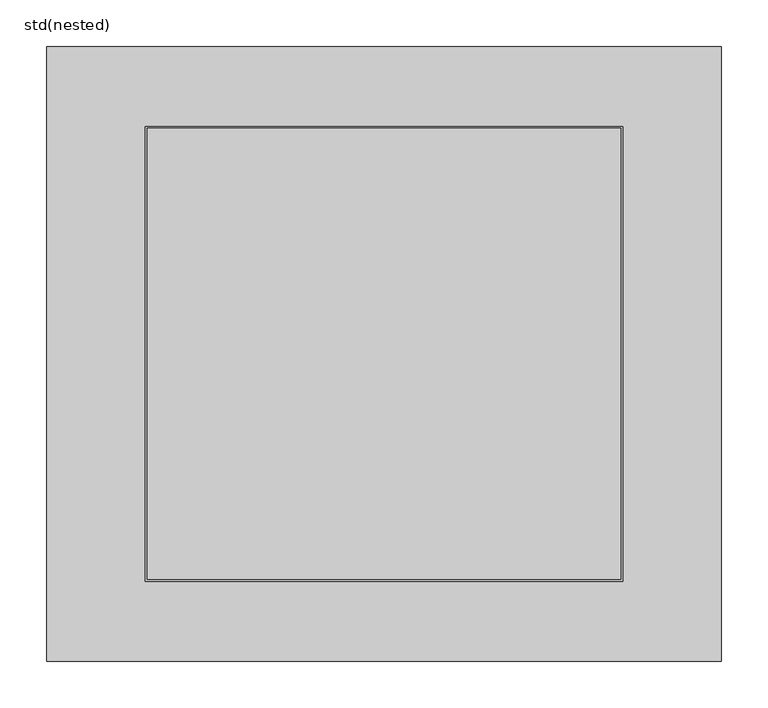
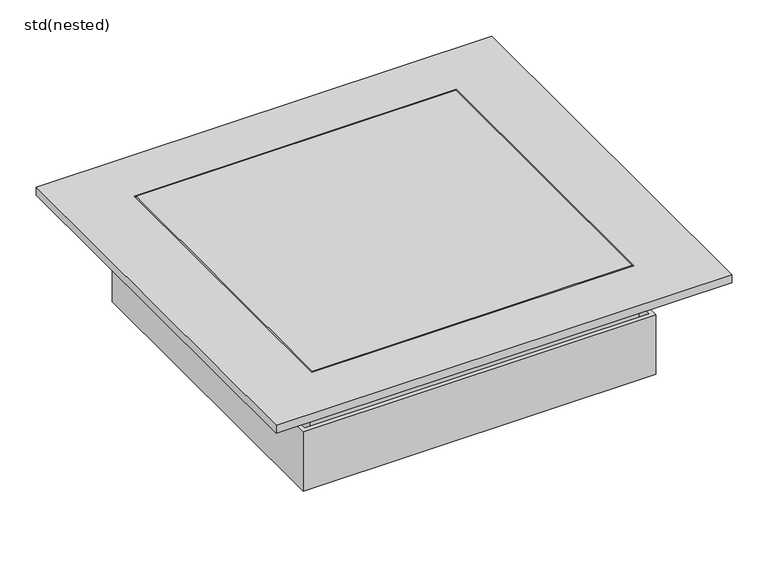
"""IFC4 building model written with IfcOpenShell, lengths in millimetres: sanitary terminal geometry, std(nested)."""

from ifc_helpers import new_model, si_unit, frame, origin, place, context, project, spatial, polyline, circle_curve, outline, extrude, faceted_brep, source, transform, mapped, element, save
from ifc_brep_helpers import plane_surface, cylinder_surface, revolved_surface, advanced_brep


def std_nested_72295a13(model_context):
    return source(origin(), model_context, "Body", "SolidModel", [
        advanced_brep(
        [(273.3618608, 255.7618608, -80.0), (270.4003842, 252.8003842, -174.0), (270.4003842, -252.8003842, -174.0), (273.3618608, -255.7618608, -80.0), (-270.4003842, -252.8003842, -174.0), (-273.3618608, -255.7618608, -80.0), (-270.4003842, 252.8003842, -174.0), (-273.3618608, 255.7618608, -80.0), (280.1, -262.5, -180.0), (-280.1, -262.5, -180.0), (-280.1, 262.5, -180.0), (280.1, 262.5, -180.0), (-175.5, 0.0, -180.0), (175.5, 0.0, -180.0), (-175.5, 0.0, -174.0), (175.5, 0.0, -174.0), (280.1, 262.5, -80.0), (-280.1, 262.5, -80.0), (-280.1, -262.5, -80.0), (280.1, -262.5, -80.0)],
        [
            (0, 1),
            (1, 2),
            (2, 3),
            (3, 0),
            (2, 4),
            (4, 5),
            (5, 3),
            (4, 6),
            (6, 7),
            (7, 5),
            (8, 9),
            (9, 10),
            (10, 11),
            (11, 8),
            (12, 13, circle_curve(frame((0.0, 0.0, -180.0), z_axis=(0.0, 0.0, 1.0), x_axis=(-1.0, 0.0, 0.0)), 175.5)),
            (13, 12, circle_curve(frame((0.0, 0.0, -180.0), z_axis=(0.0, 0.0, 1.0), x_axis=(-1.0, 0.0, 0.0)), 175.5)),
            (1, 6),
            (14, 15, circle_curve(frame((0.0, 0.0, -174.0), z_axis=(0.0, 0.0, -1.0), x_axis=(-1.0, 0.0, 0.0)), 175.5)),
            (15, 14, circle_curve(frame((0.0, 0.0, -174.0), z_axis=(0.0, 0.0, -1.0), x_axis=(-1.0, 0.0, 0.0)), 175.5)),
            (0, 7),
            (16, 17),
            (17, 18),
            (18, 19),
            (19, 16),
            (11, 16),
            (19, 8),
            (18, 9),
            (17, 10),
            (14, 12),
            (13, 15),
        ],
        [
            plane_surface(frame((270.4003842, 252.8003842, -174.0), z_axis=(-0.9995040844087114, 0.0, 0.031489446649689445), x_axis=(0.0, -1.0, 0.0))),
            plane_surface(frame((270.4003842, -252.8003842, -174.0), z_axis=(0.0, 0.9995040844087115, 0.03148944664968624), x_axis=(-1.0, 0.0, 0.0))),
            plane_surface(frame((-270.4003842, -252.8003842, -174.0), z_axis=(0.9995040844087116, 0.0, 0.031489446649683034), x_axis=(0.0, 1.0, 0.0))),
            plane_surface(frame((-280.1, 262.5, -180.0), z_axis=(0.0, 0.0, -1.0), x_axis=(1.0, 0.0, 0.0))),
            plane_surface(frame((-247.2589036, 229.6589036, -174.0), z_axis=(0.0, 0.0, 1.0), x_axis=(1.0, 0.0, 0.0))),
            plane_surface(frame((-270.4003842, 252.8003842, -174.0), z_axis=(0.0, -0.9995040844087115, 0.03148944664968624), x_axis=(1.0, 0.0, 0.0))),
            plane_surface(frame((-273.3618608, 255.7618608, -80.0), z_axis=(0.0, 0.0, 1.0), x_axis=(1.0, 0.0, 0.0))),
            plane_surface(frame((280.1, 262.5, -80.0), z_axis=(1.0, 0.0, 0.0), x_axis=(0.0, -1.0, 0.0))),
            plane_surface(frame((280.1, -262.5, -80.0), z_axis=(0.0, -1.0, 0.0), x_axis=(-1.0, 0.0, 0.0))),
            plane_surface(frame((-280.1, -262.5, -80.0), z_axis=(-1.0, 0.0, 0.0), x_axis=(0.0, 1.0, 0.0))),
            plane_surface(frame((-280.1, 262.5, -80.0), z_axis=(0.0, 1.0, 0.0), x_axis=(1.0, 0.0, 0.0))),
            revolved_surface(polyline([(-175.5, 0.0, -180.0), (-175.5, 0.0, -174.0)]), (0.0, 0.0, -130.0), (0.0, 0.0, -1.0)),
        ],
        [
            (0, [[1, 2, 3, 4]]),
            (1, [[-3, 5, 6, 7]]),
            (2, [[-6, 8, 9, 10]]),
            (3, [[11, 12, 13, 14], [15, 16]]),
            (4, [[-2, 17, -8, -5], [18, 19]]),
            (5, [[-1, 20, -9, -17]]),
            (6, [[21, 22, 23, 24], [-4, -7, -10, -20]]),
            (7, [[-14, 25, -24, 26]]),
            (8, [[-11, -26, -23, 27]]),
            (9, [[-12, -27, -22, 28]]),
            (10, [[-13, -28, -21, -25]]),
            (11, [[-18, 29, -16, 30]]),
            (11, [[-19, -30, -15, -29]]),
        ],
    ),
        advanced_brep(
        [(184.0, 0.0, -180.0), (-184.0, 0.0, -180.0), (-176.0, 0.0, -180.0), (176.0, 0.0, -180.0), (184.0, 0.0, -190.0), (-184.0, 0.0, -190.0), (176.0, 0.0, -190.0), (-176.0, 0.0, -190.0)],
        [
            (0, 1, circle_curve(frame((0.0, 0.0, -180.0), z_axis=(0.0, 0.0, 1.0), x_axis=(-1.0, 0.0, 0.0)), 184.0)),
            (1, 2),
            (2, 3, circle_curve(frame((0.0, 0.0, -180.0), z_axis=(0.0, 0.0, -1.0), x_axis=(-1.0, 0.0, 0.0)), 176.0)),
            (3, 0),
            (1, 0, circle_curve(frame((0.0, 0.0, -180.0), z_axis=(0.0, 0.0, 1.0), x_axis=(-1.0, 0.0, 0.0)), 184.0)),
            (3, 2, circle_curve(frame((0.0, 0.0, -180.0), z_axis=(0.0, 0.0, -1.0), x_axis=(-1.0, 0.0, 0.0)), 176.0)),
            (4, 5, circle_curve(frame((0.0, 0.0, -190.0), z_axis=(0.0, 0.0, 1.0), x_axis=(-1.0, 0.0, 0.0)), 184.0)),
            (5, 1),
            (0, 4),
            (5, 4, circle_curve(frame((0.0, 0.0, -190.0), z_axis=(0.0, 0.0, 1.0), x_axis=(-1.0, 0.0, 0.0)), 184.0)),
            (6, 7, circle_curve(frame((0.0, 0.0, -190.0), z_axis=(0.0, 0.0, 1.0), x_axis=(-1.0, 0.0, 0.0)), 176.0)),
            (7, 5),
            (4, 6),
            (7, 6, circle_curve(frame((0.0, 0.0, -190.0), z_axis=(0.0, 0.0, 1.0), x_axis=(-1.0, 0.0, 0.0)), 176.0)),
            (2, 7),
            (6, 3),
        ],
        [
            plane_surface(frame((0.0, 0.0, -180.0), z_axis=(0.0, 0.0, 1.0), x_axis=(-1.0, 0.0, 0.0))),
            cylinder_surface(frame((0.0, 0.0, -135.0), z_axis=(0.0, 0.0, -1.0), x_axis=(-1.0, 0.0, 0.0)), 184.0),
            plane_surface(frame((0.0, 0.0, -190.0), z_axis=(0.0, 0.0, -1.0), x_axis=(-1.0, 0.0, 0.0))),
            revolved_surface(polyline([(-176.0, 0.0, -190.0), (-176.0, 0.0, -180.0)]), (0.0, 0.0, -135.0), (0.0, 0.0, -1.0)),
        ],
        [
            (0, [[1, 2, 3, 4]]),
            (0, [[5, -4, 6, -2]]),
            (1, [[7, 8, -1, 9]]),
            (1, [[10, -9, -5, -8]]),
            (2, [[11, 12, -7, 13]]),
            (2, [[14, -13, -10, -12]]),
            (3, [[-3, 15, -11, 16]]),
            (3, [[-6, -16, -14, -15]]),
        ],
    ),
        extrude(outline(polyline([(254.0000122, 242.273901), (254.0000122, -242.273901), (-254.0000122, -242.273901), (-254.0000122, 242.273901), (254.0000122, 242.273901)])), frame((0.0, 0.0, -13.5), z_axis=(0.0, 0.0, 1.0), x_axis=(1.0, 0.0, 0.0)), (0.0, 0.0, 1.0), 13.5),
        faceted_brep([(256.0000122, 244.273901, -130.0), (256.0000122, -244.273901, -130.0), (256.0000122, -244.273901, 0.0), (256.0000122, 244.273901, 0.0), (-256.0000122, -244.273901, -130.0), (-256.0000122, -244.273901, 0.0), (-256.0000122, 244.273901, -130.0), (-256.0000122, 244.273901, 0.0), (261.0000122, 249.273901, -130.0), (261.0000122, 249.273901, -13.5), (261.0000122, -249.273901, -13.5), (261.0000122, -249.273901, -130.0), (-261.0000122, -249.273901, -13.5), (-261.0000122, -249.273901, -130.0), (-261.0000122, 249.273901, -13.5), (-261.0000122, 249.273901, -130.0), (362.0, 330.0, 0.0), (-362.0, 330.0, 0.0), (-362.0, -330.0, 0.0), (362.0, -330.0, 0.0), (362.0, 330.0, -13.5), (362.0, -330.0, -13.5), (-362.0, -330.0, -13.5), (-362.0, 330.0, -13.5)], [[[0, 1, 2, 3]], [[2, 1, 4, 5]], [[5, 4, 6, 7]], [[0, 3, 7, 6]], [[8, 9, 10, 11]], [[11, 10, 12, 13]], [[13, 12, 14, 15]], [[9, 8, 15, 14]], [[8, 11, 13, 15], [1, 0, 6, 4]], [[16, 17, 18, 19], [3, 2, 5, 7]], [[20, 21, 22, 23], [10, 9, 14, 12]], [[17, 16, 20, 23]], [[18, 17, 23, 22]], [[19, 18, 22, 21]], [[16, 19, 21, 20]]]),
    ])


if __name__ == "__main__":
    model = new_model("IFC4")
    model_context = context("Model", 3, world=origin())
    ifc_project = project(units=[si_unit("LENGTHUNIT", "METRE", prefix="MILLI")], contexts=[model_context])
    site = spatial("IfcSite", under=ifc_project)
    building = spatial("IfcBuilding", under=site)
    placement = place(None, origin())
    std_nested_shape = std_nested_72295a13(model_context)
    element("IfcSanitaryTerminal", 1, ObjectType="std(nested)", at=placement, inside=building, context=model_context, shape_type="MappedRepresentation", body=[
        mapped(std_nested_shape, transform((0.0, 0.0, 0.0), x_axis=(1.0, 0.0, 0.0), y_axis=(0.0, 1.0, 0.0), z_axis=(0.0, 0.0, 1.0))),
    ])
    save(model, "model.ifc")
